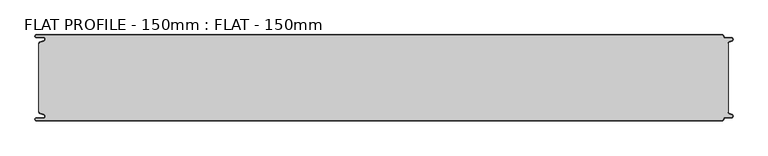
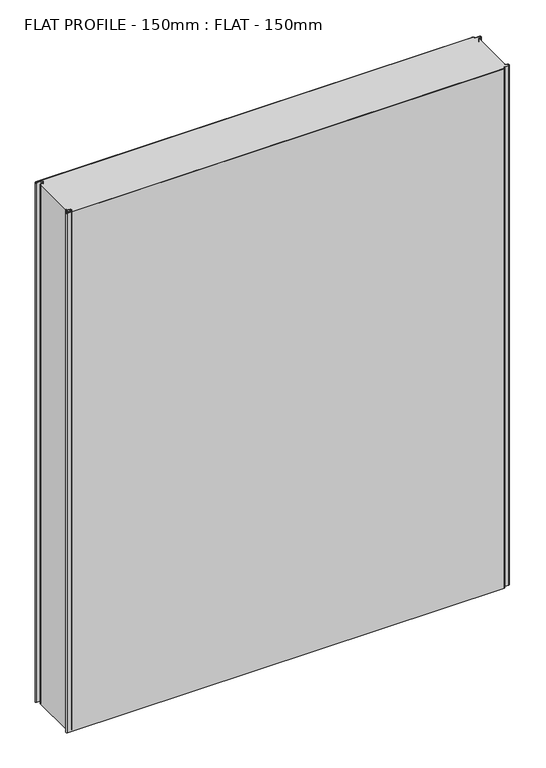
"""IFC4 building model written with IfcOpenShell, lengths in millimetres: proxy geometry, FLAT PROFILE - 150mm : FLAT - 150mm."""

from ifc_helpers import new_model, si_unit, point, frame_2d, origin, origin_with_axes, place, context, project, spatial, polyline, circle_curve, trimmed, segment, composite_curve, outline, extrude, source, transform, mapped, element, save


def flat_profile_150mm_flat_150mm_359eee1b(model_context):
    return source(origin(), model_context, "Body", "SweptSolid", [
        extrude(outline(composite_curve([segment(polyline([(-591.3794419, 61.1128969), (-589.3904999, 61.9138856), (-583.8995097, 63.9124426)]), True, "CONTINUOUS"), segment(trimmed(circle_curve(frame_2d((-585.2882153, 67.3376495)), 3.6960175), [point((-583.8995097, 63.9124426))], [point((-584.9273771, 71.0160107))], True, "CARTESIAN"), True, "CONTINUOUS"), segment(polyline([(-584.9273771, 71.0160107), (-597.3733883, 71.0160107)]), True, "CONTINUOUS"), segment(trimmed(circle_curve(frame_2d((-597.4921978, 72.511298)), 1.5), [point((-597.3733883, 71.0160107))], [point((-597.3084562, 74.0000019))], False, "CARTESIAN"), True, "CONTINUOUS"), segment(polyline([(-597.3084562, 74.0000019), (596.902372, 74.0000019)]), True, "CONTINUOUS"), segment(trimmed(circle_curve(frame_2d((596.9047345, 72.4926459)), 1.5073578), [point((596.902372, 74.0000019))], [point((598.4115951, 72.4539337))], False, "CARTESIAN"), True, "CONTINUOUS"), segment(trimmed(circle_curve(frame_2d((601.9112919, 72.5000019)), 3.5), [point((598.4115951, 72.4539337))], [point((601.9112919, 69.0000019))], True, "CARTESIAN"), True, "CONTINUOUS"), segment(polyline([(601.9112919, 69.0000019), (612.3116271, 69.0000019)]), True, "CONTINUOUS"), segment(trimmed(circle_curve(frame_2d((612.3116271, 66.9000019)), 2.1), [point((612.3116271, 69.0000019))], [point((613.0435993, 64.9316988))], False, "CARTESIAN"), True, "CONTINUOUS"), segment(polyline([(613.0435993, 64.9316988), (610.7828028, 64.1063001), (607.8546835, 62.9154156)]), True, "CONTINUOUS"), segment(trimmed(circle_curve(frame_2d((608.9399875, 60.2468953)), 2.8807786), [point((607.8546835, 62.9154156))], [point((606.0682599, 60.475074))], True, "CARTESIAN"), True, "CONTINUOUS"), segment(polyline([(606.0682599, 60.475074), (606.0107004, 59.2522232), (607.0118076, 59.2522232), (607.0118076, -59.2522195), (606.0107004, -59.2522195), (606.0682599, -60.4750703)]), True, "CONTINUOUS"), segment(trimmed(circle_curve(frame_2d((608.9399875, -60.2468916)), 2.8807786), [point((606.0682599, -60.4750703))], [point((607.8546835, -62.9154119))], True, "CARTESIAN"), True, "CONTINUOUS"), segment(polyline([(607.8546835, -62.9154119), (610.7828028, -64.1062964), (613.0435993, -64.9316951)]), True, "CONTINUOUS"), segment(trimmed(circle_curve(frame_2d((612.3116271, -66.8999981)), 2.1), [point((613.0435993, -64.9316951))], [point((612.3116271, -68.9999981))], False, "CARTESIAN"), True, "CONTINUOUS"), segment(polyline([(612.3116271, -68.9999981), (601.9112919, -68.9999981)]), True, "CONTINUOUS"), segment(trimmed(circle_curve(frame_2d((601.9112919, -72.4999981)), 3.5), [point((601.9112919, -68.9999981))], [point((598.4115951, -72.45393))], True, "CARTESIAN"), True, "CONTINUOUS"), segment(trimmed(circle_curve(frame_2d((596.9047345, -72.4926422)), 1.5073578), [point((598.4115951, -72.45393))], [point((596.902372, -73.9999981))], False, "CARTESIAN"), True, "CONTINUOUS"), segment(polyline([(596.902372, -73.9999981), (-597.3084562, -73.9999981)]), True, "CONTINUOUS"), segment(trimmed(circle_curve(frame_2d((-597.4921978, -72.5112943)), 1.5), [point((-597.3084562, -73.9999981))], [point((-597.3733883, -71.016007))], False, "CARTESIAN"), True, "CONTINUOUS"), segment(polyline([(-597.3733883, -71.016007), (-584.9273771, -71.016007)]), True, "CONTINUOUS"), segment(trimmed(circle_curve(frame_2d((-585.2882153, -67.3376458)), 3.6960175), [point((-584.9273771, -71.016007))], [point((-583.8995097, -63.9124389))], True, "CARTESIAN"), True, "CONTINUOUS"), segment(polyline([(-583.8995097, -63.9124389), (-589.3904999, -61.9138819), (-591.3794419, -61.1128932)]), True, "CONTINUOUS"), segment(trimmed(circle_curve(frame_2d((-591.0050311, -60.1831907)), 1.0022625), [point((-591.3794419, -61.1128932))], [point((-591.9881924, -60.3779319))], False, "CARTESIAN"), True, "CONTINUOUS"), segment(polyline([(-591.9881924, -60.3779319), (-591.9881924, -59.2522214), (-592.9881924, -59.2522214), (-592.9881924, 59.2522214), (-591.9881924, 59.2522214), (-591.9881924, 60.3779357)]), True, "CONTINUOUS"), segment(trimmed(circle_curve(frame_2d((-591.0050311, 60.1831944)), 1.0022625), [point((-591.9881924, 60.3779357))], [point((-591.3794419, 61.1128969))], False, "CARTESIAN"), True, "CONTINUOUS")], self_intersect=False)), origin_with_axes(), (0.0, 0.0, 1.0), 1500.0),
        extrude(outline(composite_curve([segment(trimmed(circle_curve(frame_2d((-591.0050311, 60.1831944)), 1.0022625), [point((-591.3794419, 61.1128969))], [point((-591.9881924, 60.3779357))], True, "CARTESIAN"), True, "CONTINUOUS"), segment(polyline([(-591.9881924, 60.3779357), (-591.9881924, 59.2522214), (-592.9881924, 59.2522214), (-592.9881924, 60.4591051)]), True, "CONTINUOUS"), segment(trimmed(circle_curve(frame_2d((-591.0050311, 60.1831944)), 2.0022625), [point((-592.9881924, 60.4591051))], [point((-591.7530074, 62.0405007))], False, "CARTESIAN"), True, "CONTINUOUS"), segment(polyline([(-591.7530074, 62.0405007), (-589.7483949, 62.8478003), (-584.2598383, 64.8454715)]), True, "CONTINUOUS"), segment(trimmed(circle_curve(frame_2d((-585.2882153, 67.3376495)), 2.6960175), [point((-584.2598383, 64.8454715))], [point((-584.9801705, 70.0160107))], True, "CARTESIAN"), True, "CONTINUOUS"), segment(polyline([(-584.9801705, 70.0160107), (-597.3387672, 70.0160107)]), True, "CONTINUOUS"), segment(trimmed(circle_curve(frame_2d((-597.4921978, 72.511298)), 2.5), [point((-597.3387672, 70.0160107))], [point((-597.2548091, 75.0000019))], False, "CARTESIAN"), True, "CONTINUOUS"), segment(polyline([(-597.2548091, 75.0000019), (596.9016875, 75.0000019)]), True, "CONTINUOUS"), segment(trimmed(circle_curve(frame_2d((596.9047345, 72.4926459)), 2.5073578), [point((596.9016875, 75.0000019))], [point((599.4117582, 72.4517176))], False, "CARTESIAN"), True, "CONTINUOUS"), segment(trimmed(circle_curve(frame_2d((601.9112919, 72.5000019)), 2.5), [point((599.4117582, 72.4517176))], [point((601.9112919, 70.0000019))], True, "CARTESIAN"), True, "CONTINUOUS"), segment(polyline([(601.9112919, 70.0000019), (612.3116271, 70.0000019)]), True, "CONTINUOUS"), segment(trimmed(circle_curve(frame_2d((612.3116271, 66.9000019)), 3.1), [point((612.3116271, 70.0000019))], [point((613.3890842, 63.9932707))], False, "CARTESIAN"), True, "CONTINUOUS"), segment(polyline([(613.3890842, 63.9932707), (611.1427659, 63.1731578), (608.2411829, 62.0549269)]), True, "CONTINUOUS"), segment(trimmed(circle_curve(frame_2d((609.0514567, 60.1592666)), 2.0615701), [point((608.2411829, 62.0549269))], [point((607.0118076, 60.4591051))], True, "CARTESIAN"), True, "CONTINUOUS"), segment(polyline([(607.0118076, 60.4591051), (607.0118076, 59.2522232), (606.0107004, 59.2522232), (606.0682599, 60.475074)]), True, "CONTINUOUS"), segment(trimmed(circle_curve(frame_2d((608.9399875, 60.2468953)), 2.8807786), [point((606.0682599, 60.475074))], [point((607.8546835, 62.9154156))], False, "CARTESIAN"), True, "CONTINUOUS"), segment(polyline([(607.8546835, 62.9154156), (610.7828028, 64.1063001), (613.0435993, 64.9316988)]), True, "CONTINUOUS"), segment(trimmed(circle_curve(frame_2d((612.3116271, 66.9000019)), 2.1), [point((613.0435993, 64.9316988))], [point((612.3116271, 69.0000019))], True, "CARTESIAN"), True, "CONTINUOUS"), segment(polyline([(612.3116271, 69.0000019), (601.9112919, 69.0000019)]), True, "CONTINUOUS"), segment(trimmed(circle_curve(frame_2d((601.9112919, 72.5000019)), 3.5), [point((601.9112919, 69.0000019))], [point((598.4115951, 72.4539337))], False, "CARTESIAN"), True, "CONTINUOUS"), segment(trimmed(circle_curve(frame_2d((596.9047345, 72.4926459)), 1.5073578), [point((598.4115951, 72.4539337))], [point((596.902372, 74.0000019))], True, "CARTESIAN"), True, "CONTINUOUS"), segment(polyline([(596.902372, 74.0000019), (-597.3084562, 74.0000019)]), True, "CONTINUOUS"), segment(trimmed(circle_curve(frame_2d((-597.4921978, 72.511298)), 1.5), [point((-597.3084562, 74.0000019))], [point((-597.3733883, 71.0160107))], True, "CARTESIAN"), True, "CONTINUOUS"), segment(polyline([(-597.3733883, 71.0160107), (-584.9273771, 71.0160107)]), True, "CONTINUOUS"), segment(trimmed(circle_curve(frame_2d((-585.2882153, 67.3376495)), 3.6960175), [point((-584.9273771, 71.0160107))], [point((-583.8995097, 63.9124426))], False, "CARTESIAN"), True, "CONTINUOUS"), segment(polyline([(-583.8995097, 63.9124426), (-589.3904999, 61.9138856), (-591.3794419, 61.1128969)]), True, "CONTINUOUS")], self_intersect=False)), origin_with_axes(), (0.0, 0.0, 1.0), 1500.0),
        extrude(outline(composite_curve([segment(polyline([(-591.3794419, -61.1128932), (-589.3904999, -61.9138819), (-583.8995097, -63.9124389)]), True, "CONTINUOUS"), segment(trimmed(circle_curve(frame_2d((-585.2882153, -67.3376458)), 3.6960175), [point((-583.8995097, -63.9124389))], [point((-584.9273771, -71.016007))], False, "CARTESIAN"), True, "CONTINUOUS"), segment(polyline([(-584.9273771, -71.016007), (-597.3733883, -71.016007)]), True, "CONTINUOUS"), segment(trimmed(circle_curve(frame_2d((-597.4921978, -72.5112943)), 1.5), [point((-597.3733883, -71.016007))], [point((-597.3084562, -73.9999981))], True, "CARTESIAN"), True, "CONTINUOUS"), segment(polyline([(-597.3084562, -73.9999981), (596.902372, -73.9999981)]), True, "CONTINUOUS"), segment(trimmed(circle_curve(frame_2d((596.9047345, -72.4926422)), 1.5073578), [point((596.902372, -73.9999981))], [point((598.4115951, -72.45393))], True, "CARTESIAN"), True, "CONTINUOUS"), segment(trimmed(circle_curve(frame_2d((601.9112919, -72.4999981)), 3.5), [point((598.4115951, -72.45393))], [point((601.9112919, -68.9999981))], False, "CARTESIAN"), True, "CONTINUOUS"), segment(polyline([(601.9112919, -68.9999981), (612.3116271, -68.9999981)]), True, "CONTINUOUS"), segment(trimmed(circle_curve(frame_2d((612.3116271, -66.8999981)), 2.1), [point((612.3116271, -68.9999981))], [point((613.0435993, -64.9316951))], True, "CARTESIAN"), True, "CONTINUOUS"), segment(polyline([(613.0435993, -64.9316951), (610.7828028, -64.1062964), (607.8546835, -62.9154119)]), True, "CONTINUOUS"), segment(trimmed(circle_curve(frame_2d((608.9399875, -60.2468916)), 2.8807786), [point((607.8546835, -62.9154119))], [point((606.0682599, -60.4750703))], False, "CARTESIAN"), True, "CONTINUOUS"), segment(polyline([(606.0682599, -60.4750703), (606.0107004, -59.2522195), (607.0118076, -59.2522195), (607.0118076, -60.4591014)]), True, "CONTINUOUS"), segment(trimmed(circle_curve(frame_2d((609.0514567, -60.1592629)), 2.0615701), [point((607.0118076, -60.4591014))], [point((608.2411829, -62.0549231))], True, "CARTESIAN"), True, "CONTINUOUS"), segment(polyline([(608.2411829, -62.0549231), (611.1427659, -63.1731541), (613.3890842, -63.993267)]), True, "CONTINUOUS"), segment(trimmed(circle_curve(frame_2d((612.3116271, -66.8999981)), 3.1), [point((613.3890842, -63.993267))], [point((612.3116271, -69.9999981))], False, "CARTESIAN"), True, "CONTINUOUS"), segment(polyline([(612.3116271, -69.9999981), (601.9112919, -69.9999981)]), True, "CONTINUOUS"), segment(trimmed(circle_curve(frame_2d((601.9112919, -72.4999981)), 2.5), [point((601.9112919, -69.9999981))], [point((599.4117582, -72.4517139))], True, "CARTESIAN"), True, "CONTINUOUS"), segment(trimmed(circle_curve(frame_2d((596.9047345, -72.4926422)), 2.5073578), [point((599.4117582, -72.4517139))], [point((596.9016875, -74.9999981))], False, "CARTESIAN"), True, "CONTINUOUS"), segment(polyline([(596.9016875, -74.9999981), (-597.2548091, -74.9999981)]), True, "CONTINUOUS"), segment(trimmed(circle_curve(frame_2d((-597.4921978, -72.5112943)), 2.5), [point((-597.2548091, -74.9999981))], [point((-597.3387672, -70.016007))], False, "CARTESIAN"), True, "CONTINUOUS"), segment(polyline([(-597.3387672, -70.016007), (-584.9801705, -70.016007)]), True, "CONTINUOUS"), segment(trimmed(circle_curve(frame_2d((-585.2882153, -67.3376458)), 2.6960175), [point((-584.9801705, -70.016007))], [point((-584.2598383, -64.8454678))], True, "CARTESIAN"), True, "CONTINUOUS"), segment(polyline([(-584.2598383, -64.8454678), (-589.7483949, -62.8477966), (-591.7530074, -62.040497)]), True, "CONTINUOUS"), segment(trimmed(circle_curve(frame_2d((-591.0050311, -60.1831907)), 2.0022625), [point((-591.7530074, -62.040497))], [point((-592.9881924, -60.4591014))], False, "CARTESIAN"), True, "CONTINUOUS"), segment(polyline([(-592.9881924, -60.4591014), (-592.9881924, -59.2522177), (-591.9881924, -59.2522177), (-591.9881924, -60.3779319)]), True, "CONTINUOUS"), segment(trimmed(circle_curve(frame_2d((-591.0050311, -60.1831907)), 1.0022625), [point((-591.9881924, -60.3779319))], [point((-591.3794419, -61.1128932))], True, "CARTESIAN"), True, "CONTINUOUS")], self_intersect=False)), origin_with_axes(), (0.0, 0.0, 1.0), 1500.0),
    ])


if __name__ == "__main__":
    model = new_model("IFC4")
    model_context = context("Model", 3, world=origin())
    ifc_project = project(units=[si_unit("LENGTHUNIT", "METRE", prefix="MILLI")], contexts=[model_context])
    site = spatial("IfcSite", under=ifc_project)
    building = spatial("IfcBuilding", under=site)
    placement = place(None, origin())
    flat_profile_150mm_flat_150mm_shape = flat_profile_150mm_flat_150mm_359eee1b(model_context)
    element("IfcBuildingElementProxy", 1, Name="FLAT PROFILE - 150mm : FLAT - 150mm", ObjectType="FLAT PROFILE - 150mm : FLAT - 150mm", at=placement, inside=building, context=model_context, shape_type="MappedRepresentation", body=[
        mapped(flat_profile_150mm_flat_150mm_shape, transform((0.0, 0.0, 0.0), x_axis=(1.0, 0.0, 0.0), y_axis=(0.0, 1.0, 0.0), z_axis=(0.0, 0.0, 1.0))),
    ])
    save(model, "model.ifc")
